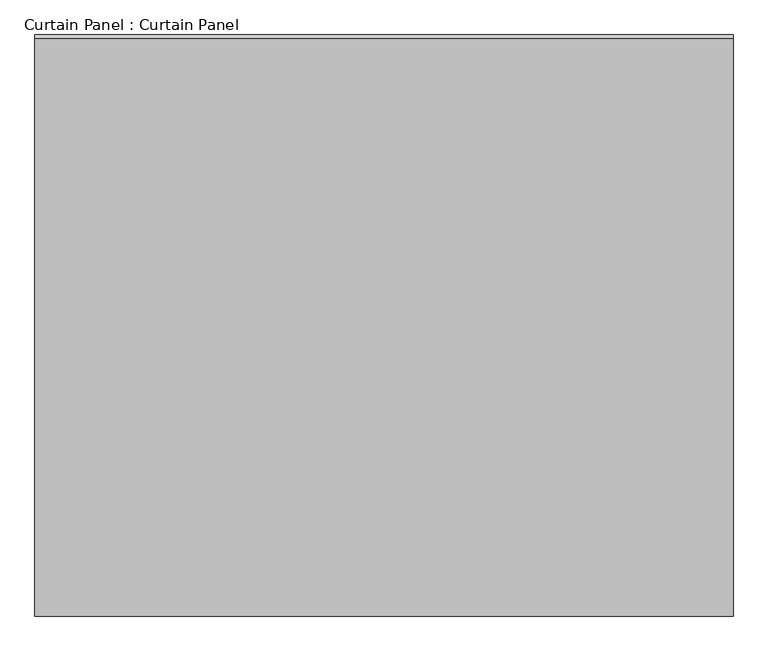
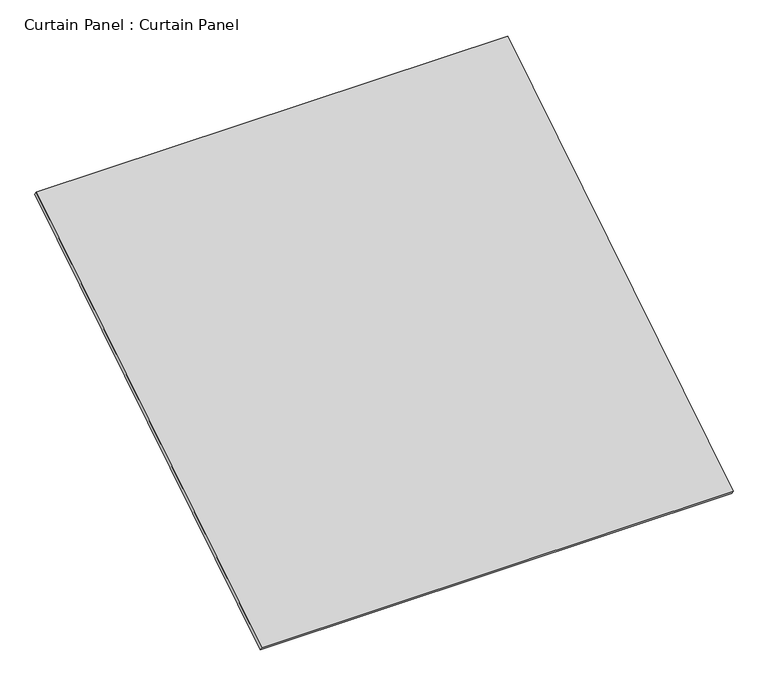
"""IFC4 building model written with IfcOpenShell, lengths in millimetres: plate geometry, Curtain Panel : Curtain Panel."""

from ifc_helpers import new_model, si_unit, frame, origin, place, context, project, spatial, polyline, outline, extrude, source, transform, mapped, element, save


def curtain_panel_curtain_panel_6829706c(model_context):
    return source(origin(), model_context, "Body", "SweptSolid", [
        extrude(outline(polyline([(-63.5, 0.0), (-63.5, -2917.2966638), (-3048.0, -2917.2966638), (-3048.0, 0.0), (-63.5, 0.0)])), frame((-120718.6430895, -9006.9531877, 3990.5224204), z_axis=(0.0, -0.5318918435658209, 0.8468122972348432), x_axis=(-1.0, 0.0, 0.0)), (0.0, 0.0, 1.0), 25.4),
    ])


if __name__ == "__main__":
    model = new_model("IFC4")
    model_context = context("Model", 3, world=origin())
    ifc_project = project(units=[si_unit("LENGTHUNIT", "METRE", prefix="MILLI")], contexts=[model_context])
    site = spatial("IfcSite", under=ifc_project)
    building = spatial("IfcBuilding", under=site)
    placement = place(None, origin())
    curtain_panel_curtain_panel_shape = curtain_panel_curtain_panel_6829706c(model_context)
    element("IfcPlate", 1, ObjectType="Curtain Panel : Curtain Panel", at=placement, inside=building, context=model_context, shape_type="MappedRepresentation", body=[
        mapped(curtain_panel_curtain_panel_shape, transform((0.0, 0.0, 0.0), x_axis=(1.0, 0.0, 0.0), y_axis=(0.0, 1.0, 0.0), z_axis=(0.0, 0.0, 1.0))),
    ])
    save(model, "model.ifc")
